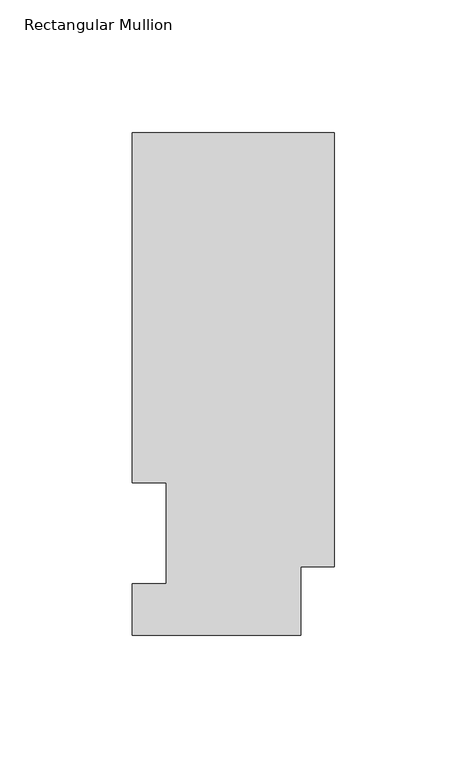
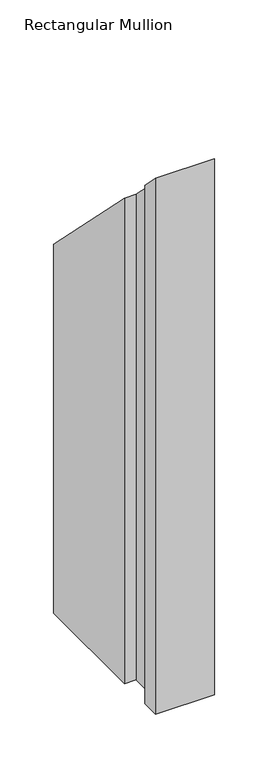
"""IFC4 building model written with IfcOpenShell, lengths in millimetres: member geometry, Rectangular Mullion."""

from ifc_helpers import new_model, si_unit, origin, place, context, project, spatial, faceted_brep, source, transform, mapped, element, save


def rectangular_mullion_d6c16624(model_context):
    return source(origin(), model_context, "Body", "Brep", [
        faceted_brep([(0.0, 189.8022938, -609.56825), (0.0, 25.8955957, -609.56825), (-12.7, 25.8955957, -609.56825), (-12.7, 0.0134938, -609.56825), (-76.2, 0.0134938, -609.56825), (-76.2, 19.5460938, -609.56825), (-63.5, 19.5460938, -609.56825), (-63.5, 57.6460937, -609.56825), (-76.2, 57.6460937, -609.56825), (-76.2, 189.8022938, -609.56825), (-76.2, 189.8022937, -189.8022937), (0.0, 189.8022938, -189.8022937), (-76.2, 57.6460937, -57.6460937), (-63.5, 57.6460937, -57.6460937), (-63.5, 19.5460938, -19.5460938), (-76.2, 19.5460938, -19.5460938), (-76.2, 0.0134938, -0.0134938), (-12.7, 0.0134938, -0.0134938), (-12.7, 25.8955957, -25.8955957), (0.0, 25.8955957, -25.8955957)], [[[0, 1, 2, 3, 4, 5, 6, 7, 8, 9]], [[10, 11, 0, 9]], [[12, 10, 9, 8]], [[13, 12, 8, 7]], [[14, 13, 7, 6]], [[15, 14, 6, 5]], [[16, 15, 5, 4]], [[17, 16, 4, 3]], [[18, 17, 3, 2]], [[19, 18, 2, 1]], [[11, 19, 1, 0]], [[11, 10, 12, 13, 14, 15, 16, 17, 18, 19]]]),
    ])


if __name__ == "__main__":
    model = new_model("IFC4")
    model_context = context("Model", 3, world=origin())
    ifc_project = project(units=[si_unit("LENGTHUNIT", "METRE", prefix="MILLI")], contexts=[model_context])
    site = spatial("IfcSite", under=ifc_project)
    building = spatial("IfcBuilding", under=site)
    placement = place(None, origin())
    rectangular_mullion_shape = rectangular_mullion_d6c16624(model_context)
    element("IfcMember", 1, ObjectType="Rectangular Mullion", at=placement, inside=building, context=model_context, shape_type="MappedRepresentation", body=[
        mapped(rectangular_mullion_shape, transform((0.0, 0.0, 0.0), x_axis=(1.0, 0.0, 0.0), y_axis=(0.0, 1.0, 0.0), z_axis=(0.0, 0.0, 1.0))),
    ])
    save(model, "model.ifc")
